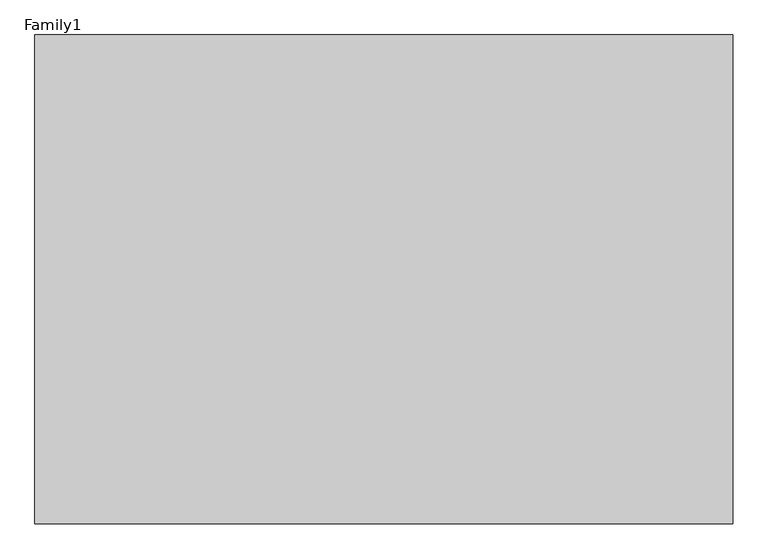
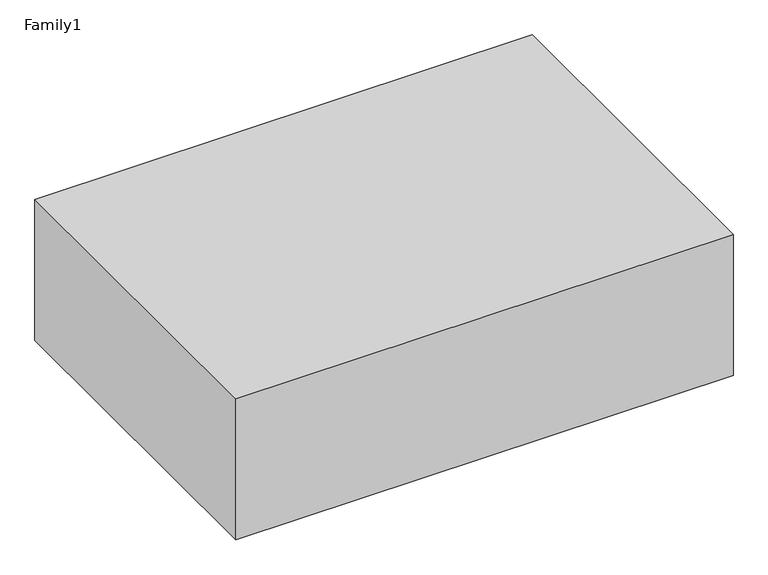
"""IFC4 building model written with IfcOpenShell, lengths in millimetres: proxy geometry, Family1."""

from ifc_helpers import new_model, si_unit, frame, origin, place, context, project, spatial, polyline, outline, extrude, source, transform, mapped, element, save


def family1_7cdfbcd7(model_context):
    return source(origin(), model_context, "Body", "SweptSolid", [
        extrude(outline(polyline([(1000.0, 0.0), (0.0, 0.0), (0.0, 700.0), (1000.0, 700.0), (1000.0, 0.0)])), frame((0.0, 0.0, 29400.0), z_axis=(0.0, 0.0, 1.0), x_axis=(1.0, 0.0, 0.0)), (0.0, 0.0, 1.0), 300.0),
    ])


if __name__ == "__main__":
    model = new_model("IFC4")
    model_context = context("Model", 3, world=origin())
    ifc_project = project(units=[si_unit("LENGTHUNIT", "METRE", prefix="MILLI")], contexts=[model_context])
    site = spatial("IfcSite", under=ifc_project)
    building = spatial("IfcBuilding", under=site)
    placement = place(None, origin())
    family1_shape = family1_7cdfbcd7(model_context)
    element("IfcBuildingElementProxy", 1, Name="Family1", ObjectType="Family1", at=placement, inside=building, context=model_context, shape_type="MappedRepresentation", body=[
        mapped(family1_shape, transform((0.0, 0.0, 0.0), x_axis=(1.0, 0.0, 0.0), y_axis=(0.0, 1.0, 0.0), z_axis=(0.0, 0.0, 1.0))),
    ])
    save(model, "model.ifc")
